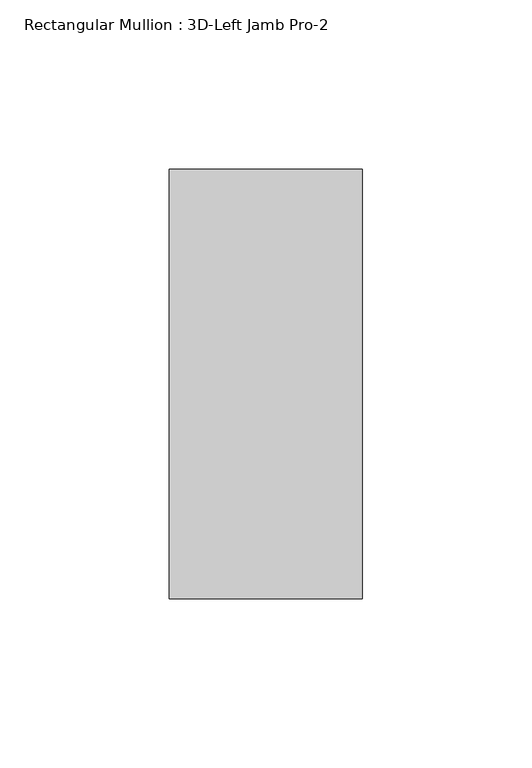
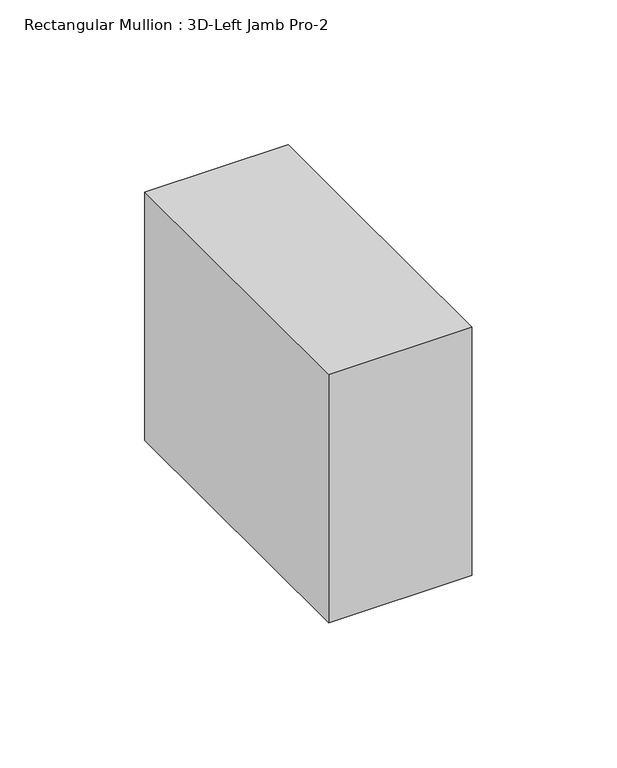
"""IFC4 building model written with IfcOpenShell, lengths in millimetres: member geometry, Rectangular Mullion : 3D-Left Jamb Pro-2."""

from ifc_helpers import new_model, si_unit, frame, origin, place, context, project, spatial, polyline, outline, extrude, source, transform, mapped, element, save


def rectangular_mullion_3d_left_jamb_pro_2_2bc4d4f4(model_context):
    return source(origin(), model_context, "Body", "SweptSolid", [
        extrude(outline(polyline([(-57.15, 52.3875), (0.0, 52.3875), (0.0, 10.276747), (0.0, -74.6125), (-57.15, -74.6125), (-57.15, 52.3875)])), frame((0.0, 0.0, -104.775), z_axis=(0.0, 0.0, 1.0), x_axis=(1.0, 0.0, 0.0)), (0.0, 0.0, 1.0), 104.775),
    ])


if __name__ == "__main__":
    model = new_model("IFC4")
    model_context = context("Model", 3, world=origin())
    ifc_project = project(units=[si_unit("LENGTHUNIT", "METRE", prefix="MILLI")], contexts=[model_context])
    site = spatial("IfcSite", under=ifc_project)
    building = spatial("IfcBuilding", under=site)
    placement = place(None, origin())
    rectangular_mullion_3d_left_jamb_pro_2_shape = rectangular_mullion_3d_left_jamb_pro_2_2bc4d4f4(model_context)
    element("IfcMember", 1, ObjectType="Rectangular Mullion : 3D-Left Jamb Pro-2", at=placement, inside=building, context=model_context, shape_type="MappedRepresentation", body=[
        mapped(rectangular_mullion_3d_left_jamb_pro_2_shape, transform((0.0, 0.0, 0.0), x_axis=(1.0, 0.0, 0.0), y_axis=(0.0, 1.0, 0.0), z_axis=(0.0, 0.0, 1.0))),
    ])
    save(model, "model.ifc")
